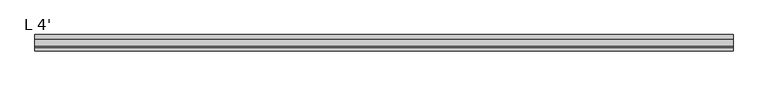
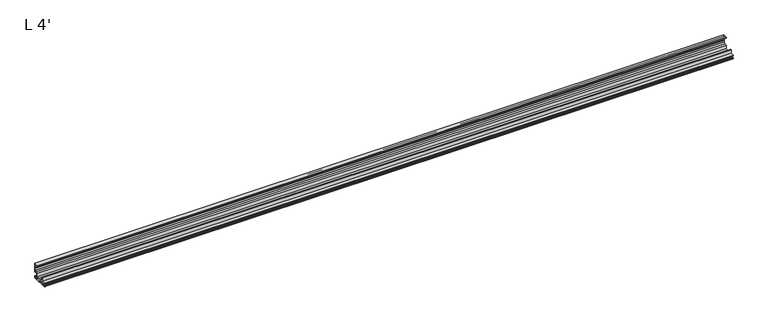
"""IFC4 building model written with IfcOpenShell, lengths in millimetres: proxy geometry, L 4'."""

import ifcopenshell
import ifcopenshell.guid

model = None  # the IFC model being written
_history = None  # IfcOwnerHistory: only IFC2X3 demands one
_inside = {}  # id of a spatial element -> (the spatial element, [elements in it])
_under = {}  # id of a project, library or spatial element -> (it, [spatial elements below it])
_declared = {}  # id of a project -> (the project, [libraries it declares])
_typed = {}  # id of a type object -> (the type object, [elements of that type])
_made_of = {}  # id of a material, layer set ... -> (it, [elements and type objects made of it])


def new_model(schema):
    """Start an empty IFC model of exactly this schema.

    Asked for "IFC4X3", IfcOpenShell would pick the latest addendum, in which some entities
    have other attributes; the version numbers below select the first issue.
    IFC2X3 requires an IfcOwnerHistory on every rooted entity: one is made here for all.
    """
    global model, _history
    if schema == "IFC4X3":
        model = ifcopenshell.file(schema_version=(4, 3, 0, 0))
    else:
        model = ifcopenshell.file(schema=schema)
    _inside.clear()
    _under.clear()
    _declared.clear()
    _typed.clear()
    _made_of.clear()
    _history = None
    if model.schema == "IFC2X3":
        org = make("IfcOrganization", Name="unknown")
        user = make(
            "IfcPersonAndOrganization",
            ThePerson=make("IfcPerson", FamilyName="unknown"),
            TheOrganization=org,
        )
        app = make(
            "IfcApplication",
            ApplicationDeveloper=org,
            Version="unknown",
            ApplicationFullName="unknown",
            ApplicationIdentifier="unknown",
        )
        _history = make(
            "IfcOwnerHistory",
            OwningUser=user,
            OwningApplication=app,
            ChangeAction="ADDED",
            CreationDate=0,
        )
    return model


def make(cls, **values):
    """One entity of the class cls with the attributes given. An attribute that is None is left unset."""
    return model.create_entity(
        cls, **{name: value for name, value in values.items() if value is not None}
    )


def rooted(cls, **values):
    """An entity with a GlobalId (a new one), such as an element, a storey or a relation."""
    return make(cls, GlobalId=ifcopenshell.guid.new(), OwnerHistory=_history, **values)


def si_unit(unit_type, name, prefix=None):
    """IfcSIUnit, for example si_unit("LENGTHUNIT", "METRE", prefix="MILLI")."""
    return make("IfcSIUnit", UnitType=unit_type, Prefix=prefix, Name=name)


def assignment(units):
    """IfcUnitAssignment: the units of a project."""
    return None if units is None else make("IfcUnitAssignment", Units=units)


def point(xyz):
    """IfcCartesianPoint."""
    return None if xyz is None else make("IfcCartesianPoint", Coordinates=xyz)


def direction(xyz):
    """IfcDirection."""
    return None if xyz is None else make("IfcDirection", DirectionRatios=xyz)


def frame(location, z_axis=None, x_axis=None):
    """IfcAxis2Placement3D, a coordinate frame: its origin and axes. An axis left out is left unset."""
    return make(
        "IfcAxis2Placement3D",
        Location=point(location),
        Axis=direction(z_axis),
        RefDirection=direction(x_axis),
    )


def frame_2d(location, x_axis=None):
    """IfcAxis2Placement2D, a coordinate frame in the plane: its origin and x axis."""
    return make(
        "IfcAxis2Placement2D", Location=point(location), RefDirection=direction(x_axis)
    )


def origin():
    """The frame at (0, 0, 0) with its axes left unset."""
    return frame((0.0, 0.0, 0.0))


def place(relative_to, where):
    """IfcLocalPlacement: puts the frame where relative to a parent placement (None: the world)."""
    return make(
        "IfcLocalPlacement", PlacementRelTo=relative_to, RelativePlacement=where
    )


def context(
    kind, dimensions, precision=None, world=None, true_north=None, identifier=None
):
    """IfcGeometricRepresentationContext, for example the 3D "Model" context."""
    return make(
        "IfcGeometricRepresentationContext",
        ContextIdentifier=identifier,
        ContextType=kind,
        CoordinateSpaceDimension=dimensions,
        Precision=precision,
        WorldCoordinateSystem=world,
        TrueNorth=true_north,
    )


def project(units=None, contexts=None):
    """IfcProject with its units and contexts."""
    return rooted(
        "IfcProject",
        Name="project",
        RepresentationContexts=contexts,
        UnitsInContext=assignment(units),
    )


def spatial(cls, under=None, at=None, **own):
    """A site, building, storey or space (cls), placed at a placement, below another one or the project."""
    s = rooted(cls, ObjectPlacement=at, **own)
    if under is not None:
        _under.setdefault(under.id(), (under, []))[1].append(s)
    return s


def polyline(points):
    """IfcPolyline through the points."""
    return make("IfcPolyline", Points=[point(p) for p in points])


def circle_curve(where, radius):
    """IfcCircle in the frame where."""
    return make("IfcCircle", Position=where, Radius=radius)


def trimmed(basis, trim1, trim2, sense, master):
    """IfcTrimmedCurve: the piece of a basis curve between two trims."""
    return make(
        "IfcTrimmedCurve",
        BasisCurve=basis,
        Trim1=trim1,
        Trim2=trim2,
        SenseAgreement=sense,
        MasterRepresentation=master,
    )


def segment(curve, same_sense, transition):
    """IfcCompositeCurveSegment."""
    return make(
        "IfcCompositeCurveSegment",
        Transition=transition,
        SameSense=same_sense,
        ParentCurve=curve,
    )


def composite_curve(segments, self_intersect=None):
    """IfcCompositeCurve: segments joined end to end."""
    return make("IfcCompositeCurve", Segments=segments, SelfIntersect=self_intersect)


def outline(outer, holes=None, kind="AREA"):
    """IfcArbitraryClosedProfileDef: a profile drawn as a closed curve; with holes, ...WithVoids."""
    if holes is None:
        return make("IfcArbitraryClosedProfileDef", ProfileType=kind, OuterCurve=outer)
    return make(
        "IfcArbitraryProfileDefWithVoids",
        ProfileType=kind,
        OuterCurve=outer,
        InnerCurves=holes,
    )


def extrude(swept, where, along, depth):
    """IfcExtrudedAreaSolid: the profile swept, set in the frame where, extruded along a direction by depth."""
    return make(
        "IfcExtrudedAreaSolid",
        SweptArea=swept,
        Position=where,
        ExtrudedDirection=direction(along),
        Depth=depth,
    )


def shape(context_of_items, identifier, shape_type, items):
    """IfcShapeRepresentation: the items that make up one representation, for example the "Body"."""
    return make(
        "IfcShapeRepresentation",
        ContextOfItems=context_of_items,
        RepresentationIdentifier=identifier,
        RepresentationType=shape_type,
        Items=items,
    )


def source(mapping_origin, context_of_items, identifier, shape_type, items):
    """IfcRepresentationMap: a shape defined once, which mapped items show again and again."""
    return make(
        "IfcRepresentationMap",
        MappingOrigin=mapping_origin,
        MappedRepresentation=shape(context_of_items, identifier, shape_type, items),
    )


def transform(
    local_origin,
    x_axis=None,
    y_axis=None,
    z_axis=None,
    scale=None,
    scale2=None,
    scale3=None,
    uniform=True,
):
    """IfcCartesianTransformationOperator3D, or its non-uniform kind. x_axis, y_axis, z_axis: its Axis1, 2, 3."""
    if uniform:
        return make(
            "IfcCartesianTransformationOperator3D",
            Axis1=direction(x_axis),
            Axis2=direction(y_axis),
            LocalOrigin=point(local_origin),
            Scale=scale,
            Axis3=direction(z_axis),
        )
    return make(
        "IfcCartesianTransformationOperator3DnonUniform",
        Axis1=direction(x_axis),
        Axis2=direction(y_axis),
        LocalOrigin=point(local_origin),
        Scale=scale,
        Axis3=direction(z_axis),
        Scale2=scale2,
        Scale3=scale3,
    )


def mapped(mapping_source, mapping_target):
    """IfcMappedItem: shows the shape of a source again, moved by a transform."""
    return make(
        "IfcMappedItem", MappingSource=mapping_source, MappingTarget=mapping_target
    )


def made_of(thing, what):
    """Note that an element or type object is made of a material, layer set ...; save() writes the relation."""
    if what is not None:
        _made_of.setdefault(what.id(), (what, []))[1].append(thing)
    return thing


def element(
    cls,
    number,
    at=None,
    inside=None,
    cuts=None,
    type_object=None,
    material=None,
    context=None,
    identifier="Body",
    shape_type=None,
    held_by="IfcProductDefinitionShape",
    body=None,
    shapes=None,
    **own,
):
    """One element of the class cls, such as IfcWall. Its Tag is "e" and its number.

    at: its placement. inside: the storey or other place that contains it. cuts: it is an
    opening in that element (IfcRelVoidsElement). A single representation is given by context,
    identifier, shape_type and body (its items); several are given by shapes. held_by: the class
    of the entity that holds the representations. save() writes the other relations.
    """
    e = rooted(cls, Tag="e%d" % number, ObjectPlacement=at, **own)
    if body is not None:
        shapes = [shape(context, identifier, shape_type, body)]
    if shapes is not None:
        e.Representation = make(held_by, Representations=shapes)
    if inside is not None:
        _inside.setdefault(inside.id(), (inside, []))[1].append(e)
    if cuts is not None:
        rooted(
            "IfcRelVoidsElement", RelatingBuildingElement=cuts, RelatedOpeningElement=e
        )
    if type_object is not None:
        _typed.setdefault(type_object.id(), (type_object, []))[1].append(e)
    return made_of(e, material)


def aggregate(whole, parts):
    """IfcRelAggregates: a whole, such as a stair, and the parts it consists of."""
    return rooted("IfcRelAggregates", RelatingObject=whole, RelatedObjects=parts)


def save(model, path):
    """Write the relations noted so far, then the file.

    IfcRelAggregates (storeys below a building ...), IfcRelContainedInSpatialStructure (elements
    in a storey), IfcRelDefinesByType, IfcRelAssociatesMaterial and IfcRelDeclares: one each for
    every whole, place, type object, material and project.
    """
    for whole, parts in _under.values():
        aggregate(whole, parts)
    for where, things in _inside.values():
        rooted(
            "IfcRelContainedInSpatialStructure",
            RelatedElements=things,
            RelatingStructure=where,
        )
    for kind, things in _typed.values():
        rooted("IfcRelDefinesByType", RelatedObjects=things, RelatingType=kind)
    for what, things in _made_of.values():
        rooted("IfcRelAssociatesMaterial", RelatedObjects=things, RelatingMaterial=what)
    for by, libraries in _declared.values():
        rooted("IfcRelDeclares", RelatingContext=by, RelatedDefinitions=libraries)
    model.write(path)


def l_4_8e01c486(model_context):
    return source(origin(), model_context, "Body", "SweptSolid", [
        extrude(outline(composite_curve([segment(polyline([(0.0, 11.2916017), (-6.35, 11.2916017), (-6.35, 4.9416017)]), True, "CONTINUOUS"), segment(trimmed(circle_curve(frame_2d((-5.8024479, 3.429)), 1.6086569), [point((-6.35, 4.9416017))], [point((-6.35, 1.9163983))], True, "CARTESIAN"), True, "CONTINUOUS"), segment(polyline([(-6.35, 1.9163983), (-1.5875, 1.9163983), (-1.5875, 3.5038983), (0.0, 3.5038983), (0.0, 0.0), (-27.9485287, 0.0)]), True, "CONTINUOUS"), segment(trimmed(circle_curve(frame_2d((-27.9485287, 0.6264713)), 0.6264713), [point((-27.9485287, 0.0))], [point((-28.575, 0.6264713))], False, "CARTESIAN"), True, "CONTINUOUS"), segment(polyline([(-28.575, 0.6264713), (-28.575, 1.4486704), (-27.8945987, 1.8415003), (-27.0638022, 1.5875003), (-26.2330056, 1.8415003), (-25.402209, 1.5875003), (-24.5714125, 1.8415003), (-23.7406159, 1.5875003), (-22.9098194, 1.8415003), (-22.0790228, 1.5875003), (-21.2482262, 1.8415003), (-20.4174297, 1.5875003), (-19.5866331, 1.8415003), (-18.7558365, 1.5875003), (-17.92504, 1.8415003), (-17.0942434, 1.5875003), (-16.2634468, 1.8415003), (-15.4326503, 1.5875003), (-14.6018537, 1.8415003), (-13.7710571, 1.5875003), (-12.954, 1.9685003), (-12.954, 4.8894997), (-13.7710571, 5.2704997), (-14.6018537, 5.0164997), (-15.4326503, 5.2704997), (-16.2634468, 5.0164997), (-17.0942434, 5.2704997), (-17.92504, 5.0164997), (-18.7558365, 5.2704997), (-19.5866331, 5.0164997), (-20.4174297, 5.2704997), (-21.2482262, 5.0164997), (-22.0790228, 5.2704997), (-22.9098194, 5.0164997), (-23.7406159, 5.2704997), (-24.5714125, 5.0164997), (-25.402209, 5.2704997), (-26.2330056, 5.0164997), (-27.0638022, 5.2704997), (-27.8945987, 5.0164997), (-28.575, 5.4093295), (-28.575, 6.5291017), (-22.225, 6.5291017), (-22.225, 12.8791017), (-20.6375, 12.8791017), (-20.6375, 6.5291017), (-7.9375, 6.5291017), (-7.9375, 12.8791017), (-3.683, 12.8791017)]), True, "CONTINUOUS"), segment(trimmed(circle_curve(frame_2d((-3.683, 14.9746017)), 2.0955), [point((-3.683, 12.8791017))], [point((-1.5875, 14.9746017))], True, "CARTESIAN"), True, "CONTINUOUS"), segment(polyline([(-1.5875, 14.9746017), (-1.5875, 18.120982), (-1.2699562, 18.8341971), (-1.2699562, 19.6240062), (-1.5875, 20.3372213), (-1.5875, 24.7840817)]), True, "CONTINUOUS"), segment(trimmed(circle_curve(frame_2d((-2.38252, 24.7840817)), 0.79502), [point((-1.5875, 24.7840817))], [point((-2.38252, 25.5791017))], True, "CARTESIAN"), True, "CONTINUOUS"), segment(polyline([(-2.38252, 25.5791017), (-7.9375, 25.5791017), (-7.9375, 27.1666017), (0.0, 27.1666017), (0.0, 11.2916017)]), True, "CONTINUOUS")], self_intersect=False)), frame((0.0, 0.0, 0.0), z_axis=(1.0, 0.0, 0.0), x_axis=(0.0, 1.0, 0.0)), (0.0, 0.0, 1.0), 1219.2),
    ])


if __name__ == "__main__":
    model = new_model("IFC4")
    model_context = context("Model", 3, world=origin())
    ifc_project = project(units=[si_unit("LENGTHUNIT", "METRE", prefix="MILLI")], contexts=[model_context])
    site = spatial("IfcSite", under=ifc_project)
    building = spatial("IfcBuilding", under=site)
    placement = place(None, origin())
    l_4_shape = l_4_8e01c486(model_context)
    element("IfcBuildingElementProxy", 1, Name="L 4'", ObjectType="L 4'", at=placement, inside=building, context=model_context, shape_type="MappedRepresentation", body=[
        mapped(l_4_shape, transform((0.0, 0.0, 0.0), x_axis=(1.0, 0.0, 0.0), y_axis=(0.0, 1.0, 0.0), z_axis=(0.0, 0.0, 1.0))),
    ])
    save(model, "model.ifc")
